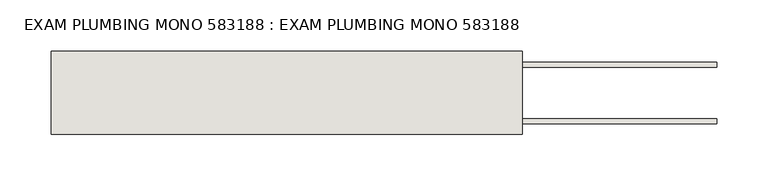
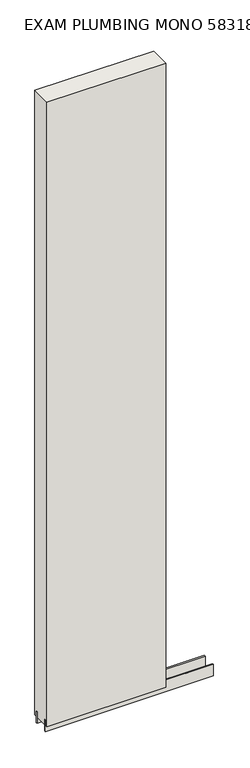
"""IFC4 building model written with IfcOpenShell, lengths in millimetres: wall geometry, EXAM PLUMBING MONO 583188 : EXAM PLUMBING MONO 583188."""

from ifc_helpers import new_model, si_unit, frame, origin, place, context, project, spatial, polyline, outline, extrude, source, transform, mapped, element, save


def exam_plumbing_mono_583188_exam_plumbing_mono_583188_7ad495e9(model_context):
    return source(origin(), model_context, "Body", "SweptSolid", [
        extrude(outline(polyline([(52929.5208616, -43072.1845692), (52932.0608616, -43072.1845692), (52932.0608616, -43074.7245692), (52929.5208616, -43074.7245692), (52929.5208616, -43072.1845692)])), frame((0.0, 0.0, 4419.6), z_axis=(0.0, 0.0, 1.0), x_axis=(1.0, 0.0, 0.0)), (0.0, 0.0, 1.0), 2.54),
        extrude(outline(polyline([(52470.9615806, -43098.5414126), (53122.549711, -43098.5414126), (53122.549711, -43103.6232668), (52470.9615806, -43103.6232668), (52470.9615806, -43098.5414126)])), frame((0.0, 0.0, 4418.6602), z_axis=(0.0, 0.0, 1.0), x_axis=(1.0, 0.0, 0.0)), (0.0, 0.0, 1.0), 47.625),
        extrude(outline(polyline([(52470.9615806, -43098.5414126), (53122.549711, -43098.5414126), (53122.549711, -43103.6232668), (52470.9615806, -43103.6232668), (52470.9615806, -43098.5414126)])), frame((0.0, 0.0, 4418.6602), z_axis=(0.0, 0.0, 1.0), x_axis=(1.0, 0.0, 0.0)), (0.0, 0.0, 1.0), 47.625),
        extrude(outline(polyline([(53122.549711, -43048.3770222), (52470.9615806, -43048.3770222), (52470.9615806, -43043.2982668), (53122.549711, -43043.2982668), (53122.549711, -43048.3770222)])), frame((0.0, 0.0, 4418.6602), z_axis=(0.0, 0.0, 1.0), x_axis=(1.0, 0.0, 0.0)), (0.0, 0.0, 1.0), 47.625),
        extrude(outline(polyline([(53122.549711, -43048.3770222), (52470.9615806, -43048.3770222), (52470.9615806, -43043.2982668), (53122.549711, -43043.2982668), (53122.549711, -43048.3770222)])), frame((0.0, 0.0, 4418.6602), z_axis=(0.0, 0.0, 1.0), x_axis=(1.0, 0.0, 0.0)), (0.0, 0.0, 1.0), 47.625),
        extrude(outline(polyline([(52470.9615806, -43114.0877366), (52470.9615806, -43032.8058824), (52932.049711, -43032.8058824), (52932.049711, -43114.0877366), (52470.9615806, -43114.0877366)])), frame((0.0, 0.0, 4445.0), z_axis=(0.0, 0.0, 1.0), x_axis=(1.0, 0.0, 0.0)), (0.0, 0.0, 1.0), 2562.4536762),
    ])


if __name__ == "__main__":
    model = new_model("IFC4")
    model_context = context("Model", 3, world=origin())
    ifc_project = project(units=[si_unit("LENGTHUNIT", "METRE", prefix="MILLI")], contexts=[model_context])
    site = spatial("IfcSite", under=ifc_project)
    building = spatial("IfcBuilding", under=site)
    placement = place(None, origin())
    exam_plumbing_mono_583188_exam_plumbing_mono_583188_shape = exam_plumbing_mono_583188_exam_plumbing_mono_583188_7ad495e9(model_context)
    element("IfcWall", 1, ObjectType="EXAM PLUMBING MONO 583188 : EXAM PLUMBING MONO 583188", at=placement, inside=building, context=model_context, shape_type="MappedRepresentation", body=[
        mapped(exam_plumbing_mono_583188_exam_plumbing_mono_583188_shape, transform((0.0, 0.0, 0.0), x_axis=(1.0, 0.0, 0.0), y_axis=(0.0, 1.0, 0.0), z_axis=(0.0, 0.0, 1.0))),
    ])
    save(model, "model.ifc")
